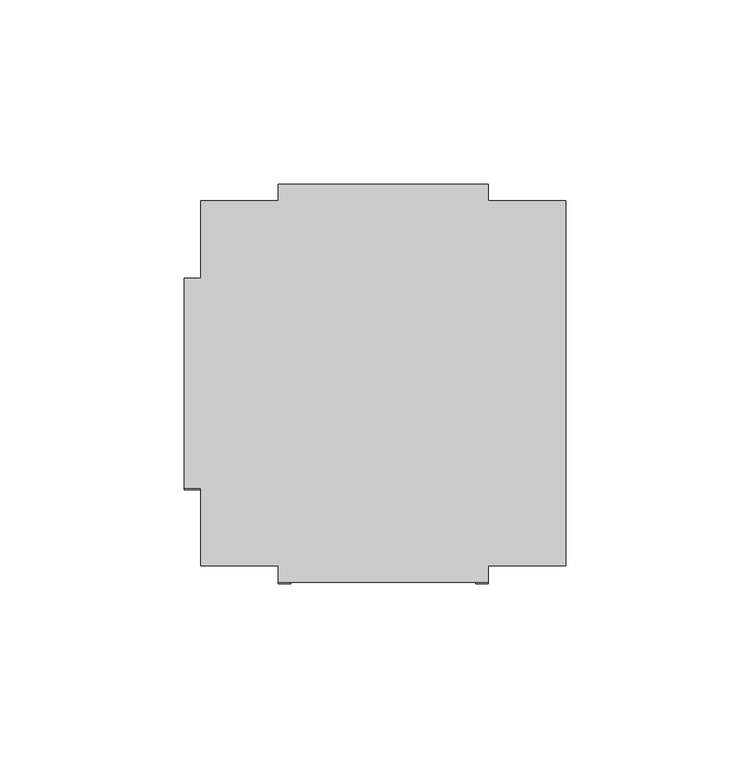
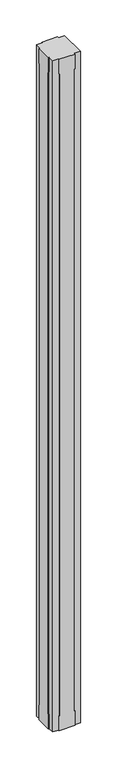
"""IFC4 building model written with IfcOpenShell, lengths in millimetres: furniture geometry."""

from ifc_helpers import new_model, si_unit, origin, place, context, project, spatial, faceted_brep, source, transform, mapped, element, save


def furniture_26426d3f(model_context):
    return source(origin(), model_context, "Body", "Brep", [
        faceted_brep([(0.0, -736.854, 55.118), (0.0, -733.552, 55.118), (0.0, -733.552, 0.0), (0.0, -790.448, 0.0), (0.0, -790.448, 55.118), (0.0, -787.146, 55.118), (0.0, -787.146, 2484.882), (0.0, -790.448, 2484.882), (0.0, -790.448, 2540.0), (0.0, -733.552, 2540.0), (0.0, -733.552, 2484.882), (0.0, -736.854, 2484.882), (4.4958, -736.854, 2484.882), (4.4958, -736.854, 55.118), (4.4958, -733.552, 2484.882), (4.4958, -733.552, 2540.0), (4.4958, -790.448, 2540.0), (4.4958, -811.4792, 2540.0), (25.527, -811.4792, 2540.0), (25.527, -815.975, 2540.0), (82.423, -815.975, 2540.0), (82.423, -811.4792, 2540.0), (103.4542, -811.4792, 2540.0), (103.4542, -712.5208, 2540.0), (82.423, -712.5208, 2540.0), (82.423, -708.025, 2540.0), (25.527, -708.025, 2540.0), (25.527, -712.5208, 2540.0), (4.4958, -712.5208, 2540.0), (4.4958, -790.448, 2484.882), (4.4958, -787.146, 2484.882), (4.4958, -787.146, 55.118), (4.4958, -790.448, 55.118), (4.4958, -790.448, 0.0), (4.4958, -733.552, 0.0), (4.4958, -712.5208, 0.0), (25.527, -712.5208, 0.0), (25.527, -708.025, 0.0), (82.423, -708.025, 0.0), (82.423, -712.5208, 0.0), (103.4542, -712.5208, 0.0), (103.4542, -811.4792, 0.0), (82.423, -811.4792, 0.0), (82.423, -815.975, 0.0), (25.527, -815.975, 0.0), (25.527, -811.4792, 0.0), (4.4958, -811.4792, 0.0), (4.4958, -733.552, 55.118), (82.423, -712.5208, 55.118), (79.121, -712.5208, 55.118), (79.121, -712.5208, 2484.882), (82.423, -712.5208, 2484.882), (25.527, -712.5208, 2484.882), (28.829, -712.5208, 2484.882), (28.829, -712.5208, 55.118), (25.527, -712.5208, 55.118), (25.527, -811.4792, 55.118), (28.829, -811.4792, 55.118), (28.829, -811.4792, 2484.882), (25.527, -811.4792, 2484.882), (82.423, -811.4792, 2484.882), (79.121, -811.4792, 2484.882), (79.121, -811.4792, 55.118), (82.423, -811.4792, 55.118), (79.121, -708.025, 55.118), (82.423, -708.025, 55.118), (25.527, -708.025, 55.118), (28.829, -708.025, 55.118), (28.829, -708.025, 2484.882), (25.527, -708.025, 2484.882), (82.423, -708.025, 2484.882), (79.121, -708.025, 2484.882), (79.121, -815.975, 55.118), (79.121, -815.975, 2484.882), (82.423, -815.975, 2484.882), (25.527, -815.975, 2484.882), (28.829, -815.975, 2484.882), (28.829, -815.975, 55.118), (25.527, -815.975, 55.118), (82.423, -815.975, 55.118)], [[[0, 1, 2, 3, 4, 5, 6, 7, 8, 9, 10, 11]], [[0, 11, 12, 13]], [[11, 10, 14, 12]], [[10, 9, 15, 14]], [[9, 8, 16, 17, 18, 19, 20, 21, 22, 23, 24, 25, 26, 27, 28, 15]], [[8, 7, 29, 16]], [[7, 6, 30, 29]], [[6, 5, 31, 30]], [[5, 4, 32, 31]], [[4, 3, 33, 32]], [[3, 2, 34, 35, 36, 37, 38, 39, 40, 41, 42, 43, 44, 45, 46, 33]], [[2, 1, 47, 34]], [[1, 0, 13, 47]], [[23, 40, 39, 48, 49, 50, 51, 24]], [[35, 28, 27, 52, 53, 54, 55, 36]], [[28, 35, 34, 47, 13, 12, 14, 15]], [[46, 17, 16, 29, 30, 31, 32, 33]], [[17, 46, 45, 56, 57, 58, 59, 18]], [[41, 22, 21, 60, 61, 62, 63, 42]], [[23, 22, 41, 40]], [[64, 65, 38, 37, 66, 67, 68, 69, 26, 25, 70, 71]], [[72, 73, 74, 20, 19, 75, 76, 77, 78, 44, 43, 79]], [[64, 71, 50, 49]], [[73, 72, 62, 61]], [[71, 70, 51, 50]], [[74, 73, 61, 60]], [[70, 25, 24, 51]], [[20, 74, 60, 21]], [[26, 69, 52, 27]], [[75, 19, 18, 59]], [[69, 68, 53, 52]], [[76, 75, 59, 58]], [[68, 67, 54, 53]], [[77, 76, 58, 57]], [[67, 66, 55, 54]], [[78, 77, 57, 56]], [[66, 37, 36, 55]], [[44, 78, 56, 45]], [[38, 65, 48, 39]], [[79, 43, 42, 63]], [[65, 64, 49, 48]], [[72, 79, 63, 62]]]),
    ])


if __name__ == "__main__":
    model = new_model("IFC4")
    model_context = context("Model", 3, world=origin())
    ifc_project = project(units=[si_unit("LENGTHUNIT", "METRE", prefix="MILLI")], contexts=[model_context])
    site = spatial("IfcSite", under=ifc_project)
    building = spatial("IfcBuilding", under=site)
    placement = place(None, origin())
    furniture_shape = furniture_26426d3f(model_context)
    element("IfcFurniture", 1, at=placement, inside=building, context=model_context, shape_type="MappedRepresentation", body=[
        mapped(furniture_shape, transform((0.0, 0.0, 0.0), x_axis=(1.0, 0.0, 0.0), y_axis=(0.0, 1.0, 0.0), z_axis=(0.0, 0.0, 1.0))),
    ])
    save(model, "model.ifc")
